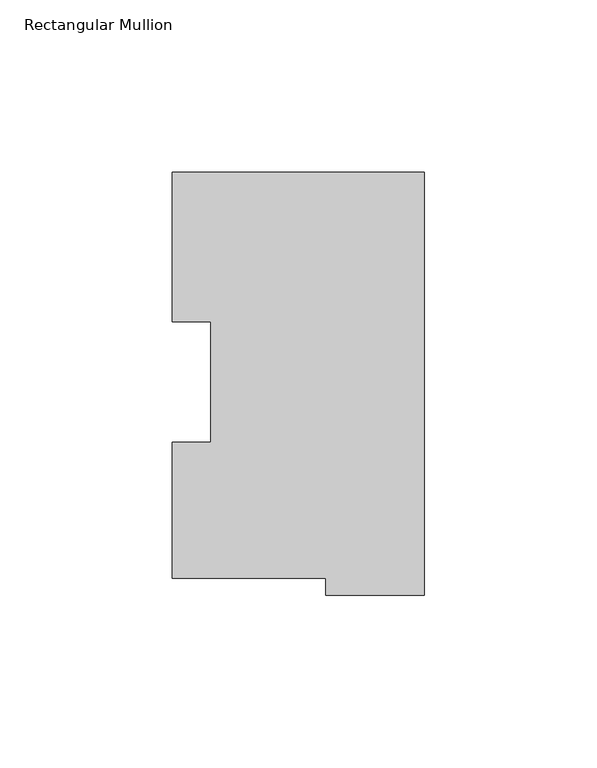
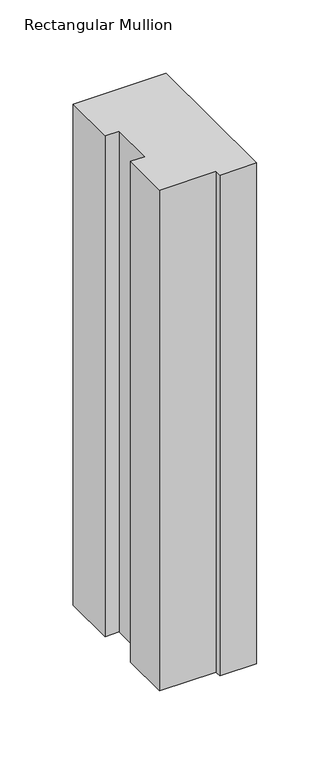
"""IFC4 building model written with IfcOpenShell, lengths in millimetres: member geometry, Rectangular Mullion."""

import ifcopenshell
import ifcopenshell.guid

model = None  # the IFC model being written
_history = None  # IfcOwnerHistory: only IFC2X3 demands one
_inside = {}  # id of a spatial element -> (the spatial element, [elements in it])
_under = {}  # id of a project, library or spatial element -> (it, [spatial elements below it])
_declared = {}  # id of a project -> (the project, [libraries it declares])
_typed = {}  # id of a type object -> (the type object, [elements of that type])
_made_of = {}  # id of a material, layer set ... -> (it, [elements and type objects made of it])


def new_model(schema):
    """Start an empty IFC model of exactly this schema.

    Asked for "IFC4X3", IfcOpenShell would pick the latest addendum, in which some entities
    have other attributes; the version numbers below select the first issue.
    IFC2X3 requires an IfcOwnerHistory on every rooted entity: one is made here for all.
    """
    global model, _history
    if schema == "IFC4X3":
        model = ifcopenshell.file(schema_version=(4, 3, 0, 0))
    else:
        model = ifcopenshell.file(schema=schema)
    _inside.clear()
    _under.clear()
    _declared.clear()
    _typed.clear()
    _made_of.clear()
    _history = None
    if model.schema == "IFC2X3":
        org = make("IfcOrganization", Name="unknown")
        user = make(
            "IfcPersonAndOrganization",
            ThePerson=make("IfcPerson", FamilyName="unknown"),
            TheOrganization=org,
        )
        app = make(
            "IfcApplication",
            ApplicationDeveloper=org,
            Version="unknown",
            ApplicationFullName="unknown",
            ApplicationIdentifier="unknown",
        )
        _history = make(
            "IfcOwnerHistory",
            OwningUser=user,
            OwningApplication=app,
            ChangeAction="ADDED",
            CreationDate=0,
        )
    return model


def make(cls, **values):
    """One entity of the class cls with the attributes given. An attribute that is None is left unset."""
    return model.create_entity(
        cls, **{name: value for name, value in values.items() if value is not None}
    )


def rooted(cls, **values):
    """An entity with a GlobalId (a new one), such as an element, a storey or a relation."""
    return make(cls, GlobalId=ifcopenshell.guid.new(), OwnerHistory=_history, **values)


def si_unit(unit_type, name, prefix=None):
    """IfcSIUnit, for example si_unit("LENGTHUNIT", "METRE", prefix="MILLI")."""
    return make("IfcSIUnit", UnitType=unit_type, Prefix=prefix, Name=name)


def assignment(units):
    """IfcUnitAssignment: the units of a project."""
    return None if units is None else make("IfcUnitAssignment", Units=units)


def point(xyz):
    """IfcCartesianPoint."""
    return None if xyz is None else make("IfcCartesianPoint", Coordinates=xyz)


def direction(xyz):
    """IfcDirection."""
    return None if xyz is None else make("IfcDirection", DirectionRatios=xyz)


def frame(location, z_axis=None, x_axis=None):
    """IfcAxis2Placement3D, a coordinate frame: its origin and axes. An axis left out is left unset."""
    return make(
        "IfcAxis2Placement3D",
        Location=point(location),
        Axis=direction(z_axis),
        RefDirection=direction(x_axis),
    )


def origin():
    """The frame at (0, 0, 0) with its axes left unset."""
    return frame((0.0, 0.0, 0.0))


def place(relative_to, where):
    """IfcLocalPlacement: puts the frame where relative to a parent placement (None: the world)."""
    return make(
        "IfcLocalPlacement", PlacementRelTo=relative_to, RelativePlacement=where
    )


def context(
    kind, dimensions, precision=None, world=None, true_north=None, identifier=None
):
    """IfcGeometricRepresentationContext, for example the 3D "Model" context."""
    return make(
        "IfcGeometricRepresentationContext",
        ContextIdentifier=identifier,
        ContextType=kind,
        CoordinateSpaceDimension=dimensions,
        Precision=precision,
        WorldCoordinateSystem=world,
        TrueNorth=true_north,
    )


def project(units=None, contexts=None):
    """IfcProject with its units and contexts."""
    return rooted(
        "IfcProject",
        Name="project",
        RepresentationContexts=contexts,
        UnitsInContext=assignment(units),
    )


def spatial(cls, under=None, at=None, **own):
    """A site, building, storey or space (cls), placed at a placement, below another one or the project."""
    s = rooted(cls, ObjectPlacement=at, **own)
    if under is not None:
        _under.setdefault(under.id(), (under, []))[1].append(s)
    return s


def polyline(points):
    """IfcPolyline through the points."""
    return make("IfcPolyline", Points=[point(p) for p in points])


def outline(outer, holes=None, kind="AREA"):
    """IfcArbitraryClosedProfileDef: a profile drawn as a closed curve; with holes, ...WithVoids."""
    if holes is None:
        return make("IfcArbitraryClosedProfileDef", ProfileType=kind, OuterCurve=outer)
    return make(
        "IfcArbitraryProfileDefWithVoids",
        ProfileType=kind,
        OuterCurve=outer,
        InnerCurves=holes,
    )


def extrude(swept, where, along, depth):
    """IfcExtrudedAreaSolid: the profile swept, set in the frame where, extruded along a direction by depth."""
    return make(
        "IfcExtrudedAreaSolid",
        SweptArea=swept,
        Position=where,
        ExtrudedDirection=direction(along),
        Depth=depth,
    )


def shape(context_of_items, identifier, shape_type, items):
    """IfcShapeRepresentation: the items that make up one representation, for example the "Body"."""
    return make(
        "IfcShapeRepresentation",
        ContextOfItems=context_of_items,
        RepresentationIdentifier=identifier,
        RepresentationType=shape_type,
        Items=items,
    )


def source(mapping_origin, context_of_items, identifier, shape_type, items):
    """IfcRepresentationMap: a shape defined once, which mapped items show again and again."""
    return make(
        "IfcRepresentationMap",
        MappingOrigin=mapping_origin,
        MappedRepresentation=shape(context_of_items, identifier, shape_type, items),
    )


def transform(
    local_origin,
    x_axis=None,
    y_axis=None,
    z_axis=None,
    scale=None,
    scale2=None,
    scale3=None,
    uniform=True,
):
    """IfcCartesianTransformationOperator3D, or its non-uniform kind. x_axis, y_axis, z_axis: its Axis1, 2, 3."""
    if uniform:
        return make(
            "IfcCartesianTransformationOperator3D",
            Axis1=direction(x_axis),
            Axis2=direction(y_axis),
            LocalOrigin=point(local_origin),
            Scale=scale,
            Axis3=direction(z_axis),
        )
    return make(
        "IfcCartesianTransformationOperator3DnonUniform",
        Axis1=direction(x_axis),
        Axis2=direction(y_axis),
        LocalOrigin=point(local_origin),
        Scale=scale,
        Axis3=direction(z_axis),
        Scale2=scale2,
        Scale3=scale3,
    )


def mapped(mapping_source, mapping_target):
    """IfcMappedItem: shows the shape of a source again, moved by a transform."""
    return make(
        "IfcMappedItem", MappingSource=mapping_source, MappingTarget=mapping_target
    )


def made_of(thing, what):
    """Note that an element or type object is made of a material, layer set ...; save() writes the relation."""
    if what is not None:
        _made_of.setdefault(what.id(), (what, []))[1].append(thing)
    return thing


def element(
    cls,
    number,
    at=None,
    inside=None,
    cuts=None,
    type_object=None,
    material=None,
    context=None,
    identifier="Body",
    shape_type=None,
    held_by="IfcProductDefinitionShape",
    body=None,
    shapes=None,
    **own,
):
    """One element of the class cls, such as IfcWall. Its Tag is "e" and its number.

    at: its placement. inside: the storey or other place that contains it. cuts: it is an
    opening in that element (IfcRelVoidsElement). A single representation is given by context,
    identifier, shape_type and body (its items); several are given by shapes. held_by: the class
    of the entity that holds the representations. save() writes the other relations.
    """
    e = rooted(cls, Tag="e%d" % number, ObjectPlacement=at, **own)
    if body is not None:
        shapes = [shape(context, identifier, shape_type, body)]
    if shapes is not None:
        e.Representation = make(held_by, Representations=shapes)
    if inside is not None:
        _inside.setdefault(inside.id(), (inside, []))[1].append(e)
    if cuts is not None:
        rooted(
            "IfcRelVoidsElement", RelatingBuildingElement=cuts, RelatedOpeningElement=e
        )
    if type_object is not None:
        _typed.setdefault(type_object.id(), (type_object, []))[1].append(e)
    return made_of(e, material)


def aggregate(whole, parts):
    """IfcRelAggregates: a whole, such as a stair, and the parts it consists of."""
    return rooted("IfcRelAggregates", RelatingObject=whole, RelatedObjects=parts)


def save(model, path):
    """Write the relations noted so far, then the file.

    IfcRelAggregates (storeys below a building ...), IfcRelContainedInSpatialStructure (elements
    in a storey), IfcRelDefinesByType, IfcRelAssociatesMaterial and IfcRelDeclares: one each for
    every whole, place, type object, material and project.
    """
    for whole, parts in _under.values():
        aggregate(whole, parts)
    for where, things in _inside.values():
        rooted(
            "IfcRelContainedInSpatialStructure",
            RelatedElements=things,
            RelatingStructure=where,
        )
    for kind, things in _typed.values():
        rooted("IfcRelDefinesByType", RelatedObjects=things, RelatingType=kind)
    for what, things in _made_of.values():
        rooted("IfcRelAssociatesMaterial", RelatedObjects=things, RelatingMaterial=what)
    for by, libraries in _declared.values():
        rooted("IfcRelDeclares", RelatingContext=by, RelatedDefinitions=libraries)
    model.write(path)


def rectangular_mullion_4509734a(model_context):
    return source(origin(), model_context, "Body", "SweptSolid", [
        extrude(outline(polyline([(-73.025, 117.827425), (0.0, 117.827425), (0.0, -4.778375), (-28.575, -4.778375), (-28.575, 0.225425), (-73.025, 0.225425), (-73.025, 39.646225), (-61.9252, 39.646225), (-61.9252, 74.596625), (-73.025, 74.596625), (-73.025, 117.827425)])), frame((0.0, 0.0, -415.925), z_axis=(0.0, 0.0, 1.0), x_axis=(1.0, 0.0, 0.0)), (0.0, 0.0, 1.0), 415.925),
    ])


if __name__ == "__main__":
    model = new_model("IFC4")
    model_context = context("Model", 3, world=origin())
    ifc_project = project(units=[si_unit("LENGTHUNIT", "METRE", prefix="MILLI")], contexts=[model_context])
    site = spatial("IfcSite", under=ifc_project)
    building = spatial("IfcBuilding", under=site)
    placement = place(None, origin())
    rectangular_mullion_shape = rectangular_mullion_4509734a(model_context)
    element("IfcMember", 1, ObjectType="Rectangular Mullion", at=placement, inside=building, context=model_context, shape_type="MappedRepresentation", body=[
        mapped(rectangular_mullion_shape, transform((0.0, 0.0, 0.0), x_axis=(1.0, 0.0, 0.0), y_axis=(0.0, 1.0, 0.0), z_axis=(0.0, 0.0, 1.0))),
    ])
    save(model, "model.ifc")
